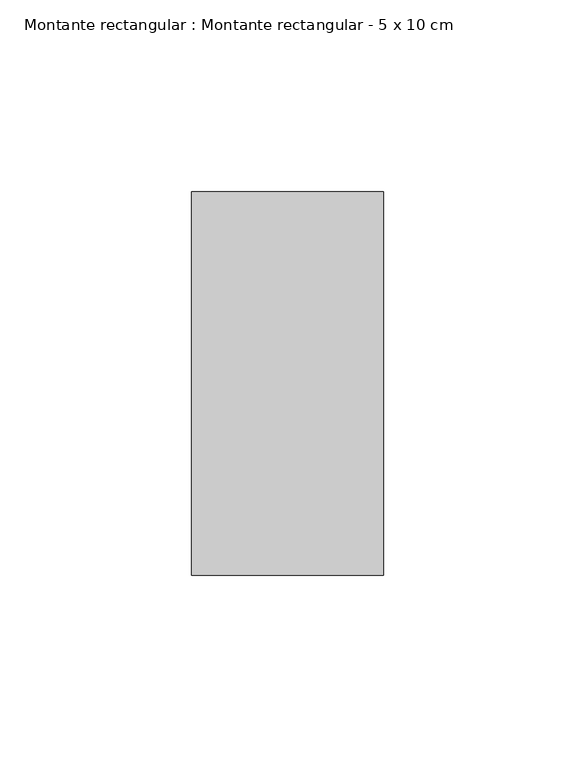
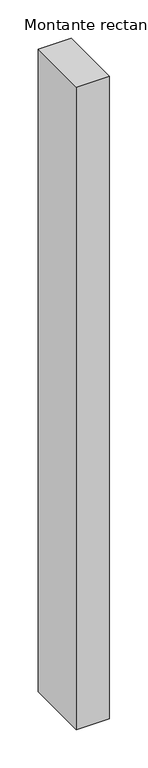
"""IFC4 building model written with IfcOpenShell, lengths in millimetres: member geometry, Montante rectangular : Montante rectangular - 5 x 10 cm."""

import ifcopenshell
import ifcopenshell.guid

model = None  # the IFC model being written
_history = None  # IfcOwnerHistory: only IFC2X3 demands one
_inside = {}  # id of a spatial element -> (the spatial element, [elements in it])
_under = {}  # id of a project, library or spatial element -> (it, [spatial elements below it])
_declared = {}  # id of a project -> (the project, [libraries it declares])
_typed = {}  # id of a type object -> (the type object, [elements of that type])
_made_of = {}  # id of a material, layer set ... -> (it, [elements and type objects made of it])


def new_model(schema):
    """Start an empty IFC model of exactly this schema.

    Asked for "IFC4X3", IfcOpenShell would pick the latest addendum, in which some entities
    have other attributes; the version numbers below select the first issue.
    IFC2X3 requires an IfcOwnerHistory on every rooted entity: one is made here for all.
    """
    global model, _history
    if schema == "IFC4X3":
        model = ifcopenshell.file(schema_version=(4, 3, 0, 0))
    else:
        model = ifcopenshell.file(schema=schema)
    _inside.clear()
    _under.clear()
    _declared.clear()
    _typed.clear()
    _made_of.clear()
    _history = None
    if model.schema == "IFC2X3":
        org = make("IfcOrganization", Name="unknown")
        user = make(
            "IfcPersonAndOrganization",
            ThePerson=make("IfcPerson", FamilyName="unknown"),
            TheOrganization=org,
        )
        app = make(
            "IfcApplication",
            ApplicationDeveloper=org,
            Version="unknown",
            ApplicationFullName="unknown",
            ApplicationIdentifier="unknown",
        )
        _history = make(
            "IfcOwnerHistory",
            OwningUser=user,
            OwningApplication=app,
            ChangeAction="ADDED",
            CreationDate=0,
        )
    return model


def make(cls, **values):
    """One entity of the class cls with the attributes given. An attribute that is None is left unset."""
    return model.create_entity(
        cls, **{name: value for name, value in values.items() if value is not None}
    )


def rooted(cls, **values):
    """An entity with a GlobalId (a new one), such as an element, a storey or a relation."""
    return make(cls, GlobalId=ifcopenshell.guid.new(), OwnerHistory=_history, **values)


def si_unit(unit_type, name, prefix=None):
    """IfcSIUnit, for example si_unit("LENGTHUNIT", "METRE", prefix="MILLI")."""
    return make("IfcSIUnit", UnitType=unit_type, Prefix=prefix, Name=name)


def assignment(units):
    """IfcUnitAssignment: the units of a project."""
    return None if units is None else make("IfcUnitAssignment", Units=units)


def point(xyz):
    """IfcCartesianPoint."""
    return None if xyz is None else make("IfcCartesianPoint", Coordinates=xyz)


def direction(xyz):
    """IfcDirection."""
    return None if xyz is None else make("IfcDirection", DirectionRatios=xyz)


def frame(location, z_axis=None, x_axis=None):
    """IfcAxis2Placement3D, a coordinate frame: its origin and axes. An axis left out is left unset."""
    return make(
        "IfcAxis2Placement3D",
        Location=point(location),
        Axis=direction(z_axis),
        RefDirection=direction(x_axis),
    )


def origin():
    """The frame at (0, 0, 0) with its axes left unset."""
    return frame((0.0, 0.0, 0.0))


def place(relative_to, where):
    """IfcLocalPlacement: puts the frame where relative to a parent placement (None: the world)."""
    return make(
        "IfcLocalPlacement", PlacementRelTo=relative_to, RelativePlacement=where
    )


def context(
    kind, dimensions, precision=None, world=None, true_north=None, identifier=None
):
    """IfcGeometricRepresentationContext, for example the 3D "Model" context."""
    return make(
        "IfcGeometricRepresentationContext",
        ContextIdentifier=identifier,
        ContextType=kind,
        CoordinateSpaceDimension=dimensions,
        Precision=precision,
        WorldCoordinateSystem=world,
        TrueNorth=true_north,
    )


def project(units=None, contexts=None):
    """IfcProject with its units and contexts."""
    return rooted(
        "IfcProject",
        Name="project",
        RepresentationContexts=contexts,
        UnitsInContext=assignment(units),
    )


def spatial(cls, under=None, at=None, **own):
    """A site, building, storey or space (cls), placed at a placement, below another one or the project."""
    s = rooted(cls, ObjectPlacement=at, **own)
    if under is not None:
        _under.setdefault(under.id(), (under, []))[1].append(s)
    return s


def polyline(points):
    """IfcPolyline through the points."""
    return make("IfcPolyline", Points=[point(p) for p in points])


def outline(outer, holes=None, kind="AREA"):
    """IfcArbitraryClosedProfileDef: a profile drawn as a closed curve; with holes, ...WithVoids."""
    if holes is None:
        return make("IfcArbitraryClosedProfileDef", ProfileType=kind, OuterCurve=outer)
    return make(
        "IfcArbitraryProfileDefWithVoids",
        ProfileType=kind,
        OuterCurve=outer,
        InnerCurves=holes,
    )


def extrude(swept, where, along, depth):
    """IfcExtrudedAreaSolid: the profile swept, set in the frame where, extruded along a direction by depth."""
    return make(
        "IfcExtrudedAreaSolid",
        SweptArea=swept,
        Position=where,
        ExtrudedDirection=direction(along),
        Depth=depth,
    )


def shape(context_of_items, identifier, shape_type, items):
    """IfcShapeRepresentation: the items that make up one representation, for example the "Body"."""
    return make(
        "IfcShapeRepresentation",
        ContextOfItems=context_of_items,
        RepresentationIdentifier=identifier,
        RepresentationType=shape_type,
        Items=items,
    )


def source(mapping_origin, context_of_items, identifier, shape_type, items):
    """IfcRepresentationMap: a shape defined once, which mapped items show again and again."""
    return make(
        "IfcRepresentationMap",
        MappingOrigin=mapping_origin,
        MappedRepresentation=shape(context_of_items, identifier, shape_type, items),
    )


def transform(
    local_origin,
    x_axis=None,
    y_axis=None,
    z_axis=None,
    scale=None,
    scale2=None,
    scale3=None,
    uniform=True,
):
    """IfcCartesianTransformationOperator3D, or its non-uniform kind. x_axis, y_axis, z_axis: its Axis1, 2, 3."""
    if uniform:
        return make(
            "IfcCartesianTransformationOperator3D",
            Axis1=direction(x_axis),
            Axis2=direction(y_axis),
            LocalOrigin=point(local_origin),
            Scale=scale,
            Axis3=direction(z_axis),
        )
    return make(
        "IfcCartesianTransformationOperator3DnonUniform",
        Axis1=direction(x_axis),
        Axis2=direction(y_axis),
        LocalOrigin=point(local_origin),
        Scale=scale,
        Axis3=direction(z_axis),
        Scale2=scale2,
        Scale3=scale3,
    )


def mapped(mapping_source, mapping_target):
    """IfcMappedItem: shows the shape of a source again, moved by a transform."""
    return make(
        "IfcMappedItem", MappingSource=mapping_source, MappingTarget=mapping_target
    )


def made_of(thing, what):
    """Note that an element or type object is made of a material, layer set ...; save() writes the relation."""
    if what is not None:
        _made_of.setdefault(what.id(), (what, []))[1].append(thing)
    return thing


def element(
    cls,
    number,
    at=None,
    inside=None,
    cuts=None,
    type_object=None,
    material=None,
    context=None,
    identifier="Body",
    shape_type=None,
    held_by="IfcProductDefinitionShape",
    body=None,
    shapes=None,
    **own,
):
    """One element of the class cls, such as IfcWall. Its Tag is "e" and its number.

    at: its placement. inside: the storey or other place that contains it. cuts: it is an
    opening in that element (IfcRelVoidsElement). A single representation is given by context,
    identifier, shape_type and body (its items); several are given by shapes. held_by: the class
    of the entity that holds the representations. save() writes the other relations.
    """
    e = rooted(cls, Tag="e%d" % number, ObjectPlacement=at, **own)
    if body is not None:
        shapes = [shape(context, identifier, shape_type, body)]
    if shapes is not None:
        e.Representation = make(held_by, Representations=shapes)
    if inside is not None:
        _inside.setdefault(inside.id(), (inside, []))[1].append(e)
    if cuts is not None:
        rooted(
            "IfcRelVoidsElement", RelatingBuildingElement=cuts, RelatedOpeningElement=e
        )
    if type_object is not None:
        _typed.setdefault(type_object.id(), (type_object, []))[1].append(e)
    return made_of(e, material)


def aggregate(whole, parts):
    """IfcRelAggregates: a whole, such as a stair, and the parts it consists of."""
    return rooted("IfcRelAggregates", RelatingObject=whole, RelatedObjects=parts)


def save(model, path):
    """Write the relations noted so far, then the file.

    IfcRelAggregates (storeys below a building ...), IfcRelContainedInSpatialStructure (elements
    in a storey), IfcRelDefinesByType, IfcRelAssociatesMaterial and IfcRelDeclares: one each for
    every whole, place, type object, material and project.
    """
    for whole, parts in _under.values():
        aggregate(whole, parts)
    for where, things in _inside.values():
        rooted(
            "IfcRelContainedInSpatialStructure",
            RelatedElements=things,
            RelatingStructure=where,
        )
    for kind, things in _typed.values():
        rooted("IfcRelDefinesByType", RelatedObjects=things, RelatingType=kind)
    for what, things in _made_of.values():
        rooted("IfcRelAssociatesMaterial", RelatedObjects=things, RelatingMaterial=what)
    for by, libraries in _declared.values():
        rooted("IfcRelDeclares", RelatingContext=by, RelatedDefinitions=libraries)
    model.write(path)


def montante_rectangular_montante_rectangular_5_x_10_cm_25952ac8(model_context):
    return source(origin(), model_context, "Body", "SweptSolid", [
        extrude(outline(polyline([(0.0, 50.0), (0.0, -50.0), (-50.0, -50.0), (-50.0, 50.0), (0.0, 50.0)])), frame((0.0, 0.0, -1028.0832678), z_axis=(0.0, 0.0, 1.0), x_axis=(1.0, 0.0, 0.0)), (0.0, 0.0, 1.0), 1028.0832678),
    ])


if __name__ == "__main__":
    model = new_model("IFC4")
    model_context = context("Model", 3, world=origin())
    ifc_project = project(units=[si_unit("LENGTHUNIT", "METRE", prefix="MILLI")], contexts=[model_context])
    site = spatial("IfcSite", under=ifc_project)
    building = spatial("IfcBuilding", under=site)
    placement = place(None, origin())
    montante_rectangular_montante_rectangular_5_x_10_cm_shape = montante_rectangular_montante_rectangular_5_x_10_cm_25952ac8(model_context)
    element("IfcMember", 1, ObjectType="Montante rectangular : Montante rectangular - 5 x 10 cm", at=placement, inside=building, context=model_context, shape_type="MappedRepresentation", body=[
        mapped(montante_rectangular_montante_rectangular_5_x_10_cm_shape, transform((0.0, 0.0, 0.0), x_axis=(1.0, 0.0, 0.0), y_axis=(0.0, 1.0, 0.0), z_axis=(0.0, 0.0, 1.0))),
    ])
    save(model, "model.ifc")
